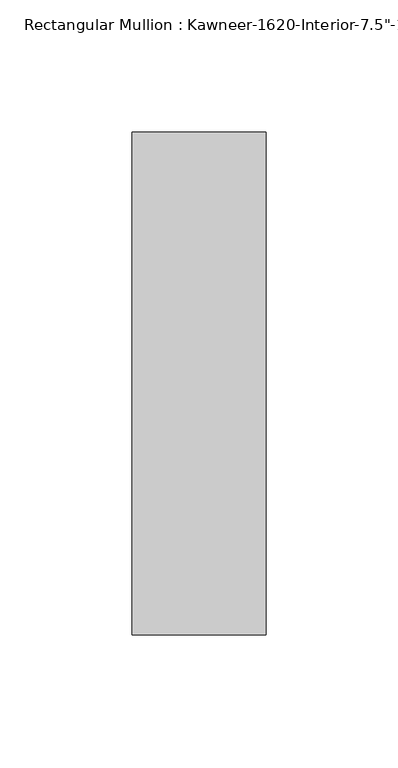
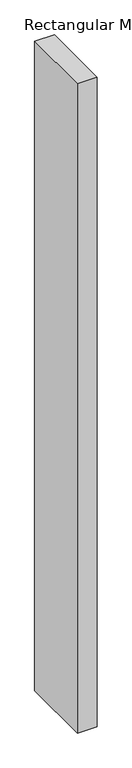
"""IFC4 building model written with IfcOpenShell, lengths in millimetres: member geometry."""

from ifc_helpers import new_model, si_unit, frame, origin, place, context, project, spatial, polyline, outline, extrude, source, transform, mapped, element, save


def member_f24d311b(model_context):
    return source(origin(), model_context, "Body", "SweptSolid", [
        extrude(outline(polyline([(25.4, -161.925), (-25.4, -161.925), (-25.4, 28.575), (25.4, 28.575), (25.4, -161.925)])), frame((0.0, 0.0, -1765.3), z_axis=(0.0, 0.0, 1.0), x_axis=(1.0, 0.0, 0.0)), (0.0, 0.0, 1.0), 1765.3),
    ])


if __name__ == "__main__":
    model = new_model("IFC4")
    model_context = context("Model", 3, world=origin())
    ifc_project = project(units=[si_unit("LENGTHUNIT", "METRE", prefix="MILLI")], contexts=[model_context])
    site = spatial("IfcSite", under=ifc_project)
    building = spatial("IfcBuilding", under=site)
    placement = place(None, origin())
    member_shape = member_f24d311b(model_context)
    element("IfcMember", 1, ObjectType="Rectangular Mullion : Kawneer-1620-Interior-7.5\"-1/4\"Infill", at=placement, inside=building, context=model_context, shape_type="MappedRepresentation", body=[
        mapped(member_shape, transform((0.0, 0.0, 0.0), x_axis=(1.0, 0.0, 0.0), y_axis=(0.0, 1.0, 0.0), z_axis=(0.0, 0.0, 1.0))),
    ])
    save(model, "model.ifc")
